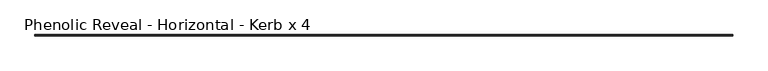
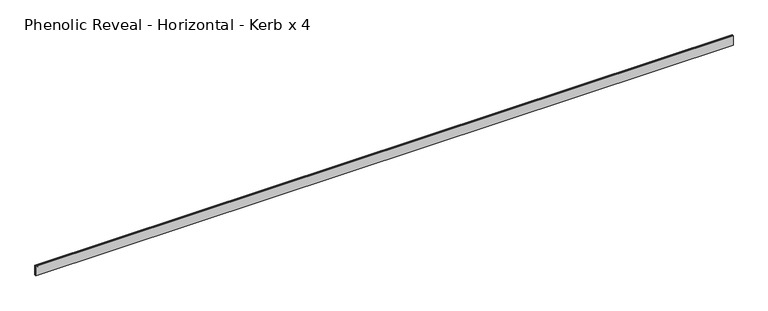
"""IFC4 building model written with IfcOpenShell, lengths in millimetres: proxy geometry, Phenolic Reveal - Horizontal - Kerb x 4."""

from ifc_helpers import new_model, si_unit, origin, place, context, project, spatial, faceted_brep, source, transform, mapped, element, save


def phenolic_reveal_horizontal_kerb_x_4_916d4dae(model_context):
    return source(origin(), model_context, "Body", "Brep", [
        faceted_brep([(5255.6171875, 9.525, 76.2), (5255.6171875, 6.0765851, 76.2), (5255.6171875, 6.0765851, 0.0), (5255.6171875, 9.525, 0.0), (5255.6171875, 3.3757545, 0.0), (5255.6171875, 3.3757545, 76.2), (5255.6171875, 0.0, 76.2), (5255.6171875, 0.0, 0.0), (0.0, 9.525, 76.2), (0.0, 9.525, 0.0), (0.0, 6.0765851, 0.0), (0.0, 6.0765851, 76.2), (0.0, 3.3757545, 76.2), (0.0, 3.3757545, 0.0), (0.0, 0.0, 0.0), (0.0, 0.0, 76.2), (5244.5046875, 6.0765851, 65.3591015), (5244.5046875, 6.0765851, 10.8408985), (11.1125, 6.0765851, 10.8408985), (11.1125, 6.0765851, 65.3591015), (11.1125, 3.3757545, 65.3591015), (5244.5046875, 3.3757545, 65.3591015), (11.1125, 3.3757545, 10.8408985), (5244.5046875, 3.3757545, 10.8408985)], [[[0, 1, 2, 3]], [[4, 5, 6, 7]], [[8, 9, 10, 11]], [[12, 13, 14, 15]], [[11, 1, 0, 8]], [[2, 1, 11, 10], [16, 17, 18, 19]], [[16, 19, 20, 21]], [[5, 4, 13, 12], [20, 22, 23, 21]], [[6, 5, 12, 15]], [[7, 6, 15, 14]], [[13, 4, 7, 14]], [[23, 22, 18, 17]], [[3, 2, 10, 9]], [[0, 3, 9, 8]], [[21, 23, 17, 16]], [[22, 20, 19, 18]]]),
    ])


if __name__ == "__main__":
    model = new_model("IFC4")
    model_context = context("Model", 3, world=origin())
    ifc_project = project(units=[si_unit("LENGTHUNIT", "METRE", prefix="MILLI")], contexts=[model_context])
    site = spatial("IfcSite", under=ifc_project)
    building = spatial("IfcBuilding", under=site)
    placement = place(None, origin())
    phenolic_reveal_horizontal_kerb_x_4_shape = phenolic_reveal_horizontal_kerb_x_4_916d4dae(model_context)
    element("IfcBuildingElementProxy", 1, Name="Phenolic Reveal - Horizontal - Kerb x 4", ObjectType="Phenolic Reveal - Horizontal - Kerb x 4", at=placement, inside=building, context=model_context, shape_type="MappedRepresentation", body=[
        mapped(phenolic_reveal_horizontal_kerb_x_4_shape, transform((0.0, 0.0, 0.0), x_axis=(1.0, 0.0, 0.0), y_axis=(0.0, 1.0, 0.0), z_axis=(0.0, 0.0, 1.0))),
    ])
    save(model, "model.ifc")
